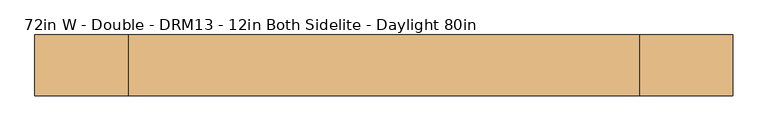
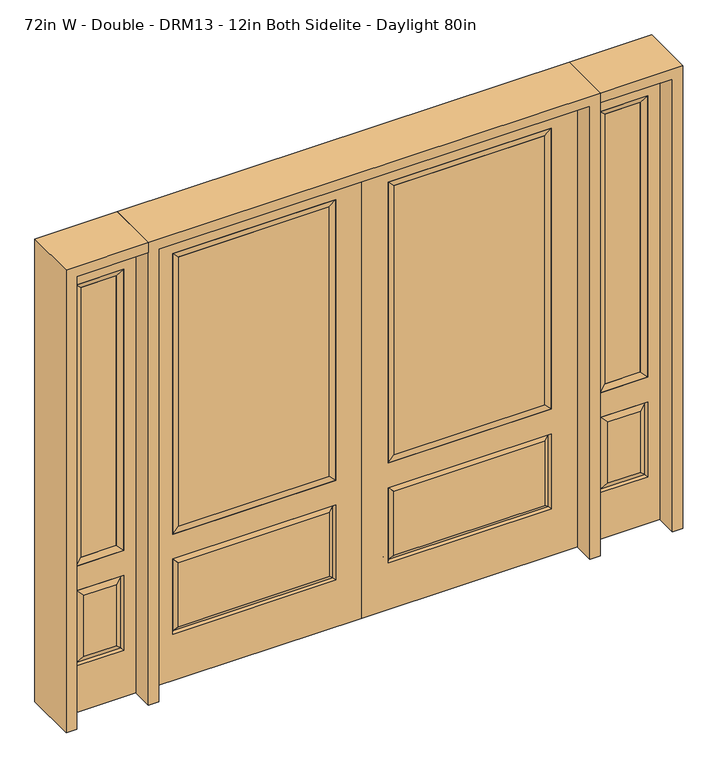
"""IFC4 building model written with IfcOpenShell, lengths in millimetres: door geometry, 72in W - Double - DRM13 - 12in Both Sidelite - Daylight 80in."""

import ifcopenshell
import ifcopenshell.guid

model = None  # the IFC model being written
_history = None  # IfcOwnerHistory: only IFC2X3 demands one
_inside = {}  # id of a spatial element -> (the spatial element, [elements in it])
_under = {}  # id of a project, library or spatial element -> (it, [spatial elements below it])
_declared = {}  # id of a project -> (the project, [libraries it declares])
_typed = {}  # id of a type object -> (the type object, [elements of that type])
_made_of = {}  # id of a material, layer set ... -> (it, [elements and type objects made of it])


def new_model(schema):
    """Start an empty IFC model of exactly this schema.

    Asked for "IFC4X3", IfcOpenShell would pick the latest addendum, in which some entities
    have other attributes; the version numbers below select the first issue.
    IFC2X3 requires an IfcOwnerHistory on every rooted entity: one is made here for all.
    """
    global model, _history
    if schema == "IFC4X3":
        model = ifcopenshell.file(schema_version=(4, 3, 0, 0))
    else:
        model = ifcopenshell.file(schema=schema)
    _inside.clear()
    _under.clear()
    _declared.clear()
    _typed.clear()
    _made_of.clear()
    _history = None
    if model.schema == "IFC2X3":
        org = make("IfcOrganization", Name="unknown")
        user = make(
            "IfcPersonAndOrganization",
            ThePerson=make("IfcPerson", FamilyName="unknown"),
            TheOrganization=org,
        )
        app = make(
            "IfcApplication",
            ApplicationDeveloper=org,
            Version="unknown",
            ApplicationFullName="unknown",
            ApplicationIdentifier="unknown",
        )
        _history = make(
            "IfcOwnerHistory",
            OwningUser=user,
            OwningApplication=app,
            ChangeAction="ADDED",
            CreationDate=0,
        )
    return model


def make(cls, **values):
    """One entity of the class cls with the attributes given. An attribute that is None is left unset."""
    return model.create_entity(
        cls, **{name: value for name, value in values.items() if value is not None}
    )


def rooted(cls, **values):
    """An entity with a GlobalId (a new one), such as an element, a storey or a relation."""
    return make(cls, GlobalId=ifcopenshell.guid.new(), OwnerHistory=_history, **values)


def si_unit(unit_type, name, prefix=None):
    """IfcSIUnit, for example si_unit("LENGTHUNIT", "METRE", prefix="MILLI")."""
    return make("IfcSIUnit", UnitType=unit_type, Prefix=prefix, Name=name)


def assignment(units):
    """IfcUnitAssignment: the units of a project."""
    return None if units is None else make("IfcUnitAssignment", Units=units)


def point(xyz):
    """IfcCartesianPoint."""
    return None if xyz is None else make("IfcCartesianPoint", Coordinates=xyz)


def direction(xyz):
    """IfcDirection."""
    return None if xyz is None else make("IfcDirection", DirectionRatios=xyz)


def frame(location, z_axis=None, x_axis=None):
    """IfcAxis2Placement3D, a coordinate frame: its origin and axes. An axis left out is left unset."""
    return make(
        "IfcAxis2Placement3D",
        Location=point(location),
        Axis=direction(z_axis),
        RefDirection=direction(x_axis),
    )


def origin():
    """The frame at (0, 0, 0) with its axes left unset."""
    return frame((0.0, 0.0, 0.0))


def place(relative_to, where):
    """IfcLocalPlacement: puts the frame where relative to a parent placement (None: the world)."""
    return make(
        "IfcLocalPlacement", PlacementRelTo=relative_to, RelativePlacement=where
    )


def context(
    kind, dimensions, precision=None, world=None, true_north=None, identifier=None
):
    """IfcGeometricRepresentationContext, for example the 3D "Model" context."""
    return make(
        "IfcGeometricRepresentationContext",
        ContextIdentifier=identifier,
        ContextType=kind,
        CoordinateSpaceDimension=dimensions,
        Precision=precision,
        WorldCoordinateSystem=world,
        TrueNorth=true_north,
    )


def project(units=None, contexts=None):
    """IfcProject with its units and contexts."""
    return rooted(
        "IfcProject",
        Name="project",
        RepresentationContexts=contexts,
        UnitsInContext=assignment(units),
    )


def spatial(cls, under=None, at=None, **own):
    """A site, building, storey or space (cls), placed at a placement, below another one or the project."""
    s = rooted(cls, ObjectPlacement=at, **own)
    if under is not None:
        _under.setdefault(under.id(), (under, []))[1].append(s)
    return s


def polyline(points):
    """IfcPolyline through the points."""
    return make("IfcPolyline", Points=[point(p) for p in points])


def outline(outer, holes=None, kind="AREA"):
    """IfcArbitraryClosedProfileDef: a profile drawn as a closed curve; with holes, ...WithVoids."""
    if holes is None:
        return make("IfcArbitraryClosedProfileDef", ProfileType=kind, OuterCurve=outer)
    return make(
        "IfcArbitraryProfileDefWithVoids",
        ProfileType=kind,
        OuterCurve=outer,
        InnerCurves=holes,
    )


def extrude(swept, where, along, depth):
    """IfcExtrudedAreaSolid: the profile swept, set in the frame where, extruded along a direction by depth."""
    return make(
        "IfcExtrudedAreaSolid",
        SweptArea=swept,
        Position=where,
        ExtrudedDirection=direction(along),
        Depth=depth,
    )


def faces_of(points, faces, orient=None, outer=None):
    """IfcFace entities. A face is a list of loops; a loop is a list of indices into points, from 0.

    orient and outer hold one flag for each loop. By default every Orientation is true, the
    first loop of a face is its IfcFaceOuterBound and the others are IfcFaceBound.
    """
    made = []
    for i, loops in enumerate(faces):
        bounds = []
        for j, loop in enumerate(loops):
            is_outer = j == 0 if outer is None else outer[i][j]
            bounds.append(
                make(
                    "IfcFaceOuterBound" if is_outer else "IfcFaceBound",
                    Bound=make("IfcPolyLoop", Polygon=[points[k] for k in loop]),
                    Orientation=True if orient is None else orient[i][j],
                )
            )
        made.append(make("IfcFace", Bounds=bounds))
    return made


def faceted_brep(points, faces, orient=None, outer=None, voids=None):
    """IfcFacetedBrep: a solid bounded by flat faces; with voids (closed shells), ...WithVoids."""
    shared = [point(p) for p in points]
    hull = make("IfcClosedShell", CfsFaces=faces_of(shared, faces, orient, outer))
    if voids is None:
        return make("IfcFacetedBrep", Outer=hull)
    return make(
        "IfcFacetedBrepWithVoids",
        Outer=hull,
        Voids=[
            make(cls, CfsFaces=faces_of(shared, fs, o, b)) for cls, fs, o, b in voids
        ],
    )


def shape(context_of_items, identifier, shape_type, items):
    """IfcShapeRepresentation: the items that make up one representation, for example the "Body"."""
    return make(
        "IfcShapeRepresentation",
        ContextOfItems=context_of_items,
        RepresentationIdentifier=identifier,
        RepresentationType=shape_type,
        Items=items,
    )


def source(mapping_origin, context_of_items, identifier, shape_type, items):
    """IfcRepresentationMap: a shape defined once, which mapped items show again and again."""
    return make(
        "IfcRepresentationMap",
        MappingOrigin=mapping_origin,
        MappedRepresentation=shape(context_of_items, identifier, shape_type, items),
    )


def transform(
    local_origin,
    x_axis=None,
    y_axis=None,
    z_axis=None,
    scale=None,
    scale2=None,
    scale3=None,
    uniform=True,
):
    """IfcCartesianTransformationOperator3D, or its non-uniform kind. x_axis, y_axis, z_axis: its Axis1, 2, 3."""
    if uniform:
        return make(
            "IfcCartesianTransformationOperator3D",
            Axis1=direction(x_axis),
            Axis2=direction(y_axis),
            LocalOrigin=point(local_origin),
            Scale=scale,
            Axis3=direction(z_axis),
        )
    return make(
        "IfcCartesianTransformationOperator3DnonUniform",
        Axis1=direction(x_axis),
        Axis2=direction(y_axis),
        LocalOrigin=point(local_origin),
        Scale=scale,
        Axis3=direction(z_axis),
        Scale2=scale2,
        Scale3=scale3,
    )


def mapped(mapping_source, mapping_target):
    """IfcMappedItem: shows the shape of a source again, moved by a transform."""
    return make(
        "IfcMappedItem", MappingSource=mapping_source, MappingTarget=mapping_target
    )


def made_of(thing, what):
    """Note that an element or type object is made of a material, layer set ...; save() writes the relation."""
    if what is not None:
        _made_of.setdefault(what.id(), (what, []))[1].append(thing)
    return thing


def element(
    cls,
    number,
    at=None,
    inside=None,
    cuts=None,
    type_object=None,
    material=None,
    context=None,
    identifier="Body",
    shape_type=None,
    held_by="IfcProductDefinitionShape",
    body=None,
    shapes=None,
    **own,
):
    """One element of the class cls, such as IfcWall. Its Tag is "e" and its number.

    at: its placement. inside: the storey or other place that contains it. cuts: it is an
    opening in that element (IfcRelVoidsElement). A single representation is given by context,
    identifier, shape_type and body (its items); several are given by shapes. held_by: the class
    of the entity that holds the representations. save() writes the other relations.
    """
    e = rooted(cls, Tag="e%d" % number, ObjectPlacement=at, **own)
    if body is not None:
        shapes = [shape(context, identifier, shape_type, body)]
    if shapes is not None:
        e.Representation = make(held_by, Representations=shapes)
    if inside is not None:
        _inside.setdefault(inside.id(), (inside, []))[1].append(e)
    if cuts is not None:
        rooted(
            "IfcRelVoidsElement", RelatingBuildingElement=cuts, RelatedOpeningElement=e
        )
    if type_object is not None:
        _typed.setdefault(type_object.id(), (type_object, []))[1].append(e)
    return made_of(e, material)


def aggregate(whole, parts):
    """IfcRelAggregates: a whole, such as a stair, and the parts it consists of."""
    return rooted("IfcRelAggregates", RelatingObject=whole, RelatedObjects=parts)


def save(model, path):
    """Write the relations noted so far, then the file.

    IfcRelAggregates (storeys below a building ...), IfcRelContainedInSpatialStructure (elements
    in a storey), IfcRelDefinesByType, IfcRelAssociatesMaterial and IfcRelDeclares: one each for
    every whole, place, type object, material and project.
    """
    for whole, parts in _under.values():
        aggregate(whole, parts)
    for where, things in _inside.values():
        rooted(
            "IfcRelContainedInSpatialStructure",
            RelatedElements=things,
            RelatingStructure=where,
        )
    for kind, things in _typed.values():
        rooted("IfcRelDefinesByType", RelatedObjects=things, RelatingType=kind)
    for what, things in _made_of.values():
        rooted("IfcRelAssociatesMaterial", RelatedObjects=things, RelatingMaterial=what)
    for by, libraries in _declared.values():
        rooted("IfcRelDeclares", RelatingContext=by, RelatedDefinitions=libraries)
    model.write(path)


def door_72in_w_double_drm13_12in_both_sidelite_daylight_80in_ee4b613d(model_context):
    return source(origin(), model_context, "Body", "SolidModel", [
        faceted_brep([(796.1661499, -12.7912373, 216.6588501), (778.66875, -22.225, 234.15625), (135.73125, -22.225, 234.15625), (118.2338501, -12.7912373, 216.6588501), (111.125, -22.225, 209.55), (803.275, -22.225, 209.55), (803.275, -22.225, 546.1), (796.1661499, -12.7912373, 538.9911499), (0.0, -22.225, 2032.0), (0.0, -22.225, 0.0), (914.4, -22.225, 0.0), (914.4, -22.225, 2032.0), (111.125, -22.225, 546.1), (111.125, -22.225, 1917.7), (803.275, -22.225, 1917.7), (803.275, -22.225, 657.098), (111.125, -22.225, 657.098), (778.66875, -22.225, 521.49375), (135.73125, -22.225, 521.49375), (118.2338501, -12.7912373, 538.9911499), (914.4, 22.225, 0.0), (914.4, 22.225, 2032.0), (0.0, 22.225, 0.0), (0.0, 22.225, 2032.0), (111.125, 22.225, 657.098), (111.125, 22.225, 1917.7), (803.275, 22.225, 657.098), (803.275, 22.225, 1917.7), (135.73125, 22.225, 234.15625), (135.73125, 22.225, 521.49375), (778.66875, 22.225, 521.49375), (778.66875, 22.225, 234.15625), (803.275, 22.225, 209.55), (803.275, 22.225, 546.1), (111.125, 22.225, 546.1), (111.125, 22.225, 209.55), (118.2338501, 12.7912373, 216.6588501), (796.1661499, 12.7912373, 216.6588501), (118.2338501, 12.7912373, 538.9911499), (796.1661499, 12.7912373, 538.9911499)], [[[0, 1, 2, 3]], [[3, 4, 5, 0]], [[5, 6, 7, 0]], [[8, 9, 10, 11], [4, 12, 6, 5], [13, 14, 15, 16]], [[1, 17, 18, 2]], [[3, 19, 12, 4]], [[2, 18, 19, 3]], [[0, 7, 17, 1]], [[6, 12, 19, 7]], [[7, 19, 18, 17]], [[10, 20, 21, 11]], [[9, 22, 20, 10]], [[8, 23, 22, 9]], [[16, 24, 25, 13]], [[15, 26, 24, 16]], [[14, 27, 26, 15]], [[28, 29, 30, 31]], [[23, 21, 20, 22], [25, 24, 26, 27], [32, 33, 34, 35]], [[32, 35, 36, 37]], [[35, 34, 38, 36]], [[39, 38, 34, 33]], [[37, 39, 33, 32]], [[36, 28, 31, 37]], [[31, 30, 39, 37]], [[30, 29, 38, 39]], [[36, 38, 29, 28]], [[11, 21, 23, 8]], [[13, 25, 27, 14]]]),
        faceted_brep([(803.275, -22.225, 1917.7), (803.275, -22.225, 657.098), (803.275, 22.225, 657.098), (803.275, 22.225, 1917.7), (111.125, -22.225, 657.098), (111.125, 22.225, 657.098), (136.525, 5.08, 682.498), (777.875, 5.08, 682.498), (111.125, -22.225, 1917.7), (111.125, 22.225, 1917.7), (777.875, -20.32, 682.498), (136.525, -20.32, 682.498), (777.875, -20.32, 1892.3), (136.525, -20.32, 1892.3), (777.875, 5.08, 1892.3), (136.525, 5.08, 1892.3)], [[[0, 1, 2, 3]], [[1, 4, 5, 2]], [[2, 5, 6, 7]], [[4, 8, 9, 5]], [[10, 11, 4, 1]], [[12, 10, 1, 0]], [[11, 13, 8, 4]], [[7, 6, 11, 10]], [[14, 7, 10, 12]], [[6, 15, 13, 11]], [[3, 2, 7, 14]], [[5, 9, 15, 6]], [[8, 0, 3, 9]], [[13, 12, 0, 8]], [[15, 14, 12, 13]], [[9, 3, 14, 15]]]),
        extrude(outline(polyline([(136.525, -20.32), (136.525, 5.08), (777.875, 5.08), (777.875, -20.32), (136.525, -20.32)])), frame((0.0, 0.0, 682.498), z_axis=(0.0, 0.0, 1.0), x_axis=(1.0, 0.0, 0.0)), (0.0, 0.0, 1.0), 1209.802),
        faceted_brep([(958.85, -22.225, 0.0), (1263.65, -22.225, 0.0), (1263.65, -22.225, 2032.0), (958.85, -22.225, 2032.0), (1211.58, -22.225, 1919.224), (1211.58, -22.225, 657.098), (1010.92, -22.225, 657.098), (1010.92, -22.225, 1919.224), (1211.58, -22.225, 209.55), (1010.92, -22.225, 209.55), (1010.92, -22.225, 546.1), (1211.58, -22.225, 546.1), (1042.6351001, -22.225, 241.2651001), (1179.8648999, -22.225, 241.2651001), (1179.8648999, -22.225, 514.3848999), (1042.6351001, -22.225, 514.3848999), (958.85, 22.225, 0.0), (958.85, 22.225, 2032.0), (1263.65, 22.225, 2032.0), (1263.65, 22.225, 0.0), (1211.58, 22.225, 1919.224), (1010.92, 22.225, 1919.224), (1010.92, 22.225, 657.098), (1211.58, 22.225, 657.098), (1010.92, 22.225, 209.55), (1211.58, 22.225, 209.55), (1211.58, 22.225, 546.1), (1010.92, 22.225, 546.1), (1179.8648999, 22.225, 241.2651001), (1042.6351001, 22.225, 241.2651001), (1042.6351001, 22.225, 514.3848999), (1179.8648999, 22.225, 514.3848999), (1204.4711499, 12.7912373, 216.6588501), (1018.0288501, 12.7912373, 216.6588501), (1018.0288501, 12.7912373, 538.9911499), (1204.4711499, 12.7912373, 538.9911499), (1018.0288501, -12.7912373, 216.6588501), (1204.4711499, -12.7912373, 216.6588501), (1018.0288501, -12.7912373, 538.9911499), (1204.4711499, -12.7912373, 538.9911499)], [[[0, 1, 2, 3], [4, 5, 6, 7], [8, 9, 10, 11]], [[12, 13, 14, 15]], [[16, 17, 18, 19], [20, 21, 22, 23], [24, 25, 26, 27]], [[28, 29, 30, 31]], [[1, 0, 16, 19]], [[2, 1, 19, 18]], [[3, 2, 18, 17]], [[0, 3, 17, 16]], [[5, 4, 20, 23]], [[6, 5, 23, 22]], [[7, 6, 22, 21]], [[4, 7, 21, 20]], [[32, 33, 29, 28]], [[33, 32, 25, 24]], [[29, 33, 34, 30]], [[33, 24, 27, 34]], [[30, 34, 35, 31]], [[34, 27, 26, 35]], [[32, 28, 31, 35]], [[25, 32, 35, 26]], [[12, 36, 37, 13]], [[37, 36, 9, 8]], [[36, 12, 15, 38]], [[9, 36, 38, 10]], [[38, 15, 14, 39]], [[10, 38, 39, 11]], [[13, 37, 39, 14]], [[37, 8, 11, 39]]]),
        faceted_brep([(1010.92, 22.225, 1919.224), (1010.92, -22.225, 1919.224), (1211.58, -22.225, 1919.224), (1211.58, 22.225, 1919.224), (1036.32, 12.7, 1893.824), (1186.18, 12.7, 1893.824), (1036.32, -12.7, 1893.824), (1186.18, -12.7, 1893.824), (1211.58, -22.225, 657.098), (1211.58, 22.225, 657.098), (1186.18, 12.7, 682.498), (1186.18, -12.7, 682.498), (1010.92, -22.225, 657.098), (1010.92, 22.225, 657.098), (1036.32, 12.7, 682.498), (1036.32, -12.7, 682.498)], [[[0, 1, 2, 3]], [[4, 0, 3, 5]], [[6, 4, 5, 7]], [[1, 6, 7, 2]], [[3, 2, 8, 9]], [[5, 3, 9, 10]], [[7, 5, 10, 11]], [[2, 7, 11, 8]], [[9, 8, 12, 13]], [[10, 9, 13, 14]], [[11, 10, 14, 15]], [[8, 11, 15, 12]], [[13, 12, 1, 0]], [[14, 13, 0, 4]], [[15, 14, 4, 6]], [[12, 15, 6, 1]]]),
        extrude(outline(polyline([(1186.18, -12.7), (1036.32, -12.7), (1036.32, 12.7), (1186.18, 12.7), (1186.18, -12.7)])), frame((0.0, 0.0, 682.498), z_axis=(0.0, 0.0, 1.0), x_axis=(1.0, 0.0, 0.0)), (0.0, 0.0, 1.0), 1211.326),
        faceted_brep([(-1263.65, -22.225, 0.0), (-958.85, -22.225, 0.0), (-958.85, -22.225, 2032.0), (-1263.65, -22.225, 2032.0), (-1010.92, -22.225, 1919.224), (-1010.92, -22.225, 657.098), (-1211.58, -22.225, 657.098), (-1211.58, -22.225, 1919.224), (-1010.92, -22.225, 209.55), (-1211.58, -22.225, 209.55), (-1211.58, -22.225, 546.1), (-1010.92, -22.225, 546.1), (-1179.8648999, -22.225, 241.2651001), (-1042.6351001, -22.225, 241.2651001), (-1042.6351001, -22.225, 514.3848999), (-1179.8648999, -22.225, 514.3848999), (-1263.65, 22.225, 0.0), (-1263.65, 22.225, 2032.0), (-958.85, 22.225, 2032.0), (-958.85, 22.225, 0.0), (-1010.92, 22.225, 1919.224), (-1211.58, 22.225, 1919.224), (-1211.58, 22.225, 657.098), (-1010.92, 22.225, 657.098), (-1211.58, 22.225, 209.55), (-1010.92, 22.225, 209.55), (-1010.92, 22.225, 546.1), (-1211.58, 22.225, 546.1), (-1042.6351001, 22.225, 241.2651001), (-1179.8648999, 22.225, 241.2651001), (-1179.8648999, 22.225, 514.3848999), (-1042.6351001, 22.225, 514.3848999), (-1018.0288501, 12.7912373, 216.6588501), (-1204.4711499, 12.7912373, 216.6588501), (-1204.4711499, 12.7912373, 538.9911499), (-1018.0288501, 12.7912373, 538.9911499), (-1204.4711499, -12.7912373, 216.6588501), (-1018.0288501, -12.7912373, 216.6588501), (-1204.4711499, -12.7912373, 538.9911499), (-1018.0288501, -12.7912373, 538.9911499)], [[[0, 1, 2, 3], [4, 5, 6, 7], [8, 9, 10, 11]], [[12, 13, 14, 15]], [[16, 17, 18, 19], [20, 21, 22, 23], [24, 25, 26, 27]], [[28, 29, 30, 31]], [[1, 0, 16, 19]], [[2, 1, 19, 18]], [[3, 2, 18, 17]], [[0, 3, 17, 16]], [[5, 4, 20, 23]], [[6, 5, 23, 22]], [[7, 6, 22, 21]], [[4, 7, 21, 20]], [[32, 33, 29, 28]], [[33, 32, 25, 24]], [[29, 33, 34, 30]], [[33, 24, 27, 34]], [[30, 34, 35, 31]], [[34, 27, 26, 35]], [[32, 28, 31, 35]], [[25, 32, 35, 26]], [[12, 36, 37, 13]], [[37, 36, 9, 8]], [[36, 12, 15, 38]], [[9, 36, 38, 10]], [[38, 15, 14, 39]], [[10, 38, 39, 11]], [[13, 37, 39, 14]], [[37, 8, 11, 39]]]),
        faceted_brep([(-1211.58, 22.225, 1919.224), (-1211.58, -22.225, 1919.224), (-1010.92, -22.225, 1919.224), (-1010.92, 22.225, 1919.224), (-1186.18, 12.7, 1893.824), (-1036.32, 12.7, 1893.824), (-1186.18, -12.7, 1893.824), (-1036.32, -12.7, 1893.824), (-1010.92, -22.225, 657.098), (-1010.92, 22.225, 657.098), (-1036.32, 12.7, 682.498), (-1036.32, -12.7, 682.498), (-1211.58, -22.225, 657.098), (-1211.58, 22.225, 657.098), (-1186.18, 12.7, 682.498), (-1186.18, -12.7, 682.498)], [[[0, 1, 2, 3]], [[4, 0, 3, 5]], [[6, 4, 5, 7]], [[1, 6, 7, 2]], [[3, 2, 8, 9]], [[5, 3, 9, 10]], [[7, 5, 10, 11]], [[2, 7, 11, 8]], [[9, 8, 12, 13]], [[10, 9, 13, 14]], [[11, 10, 14, 15]], [[8, 11, 15, 12]], [[13, 12, 1, 0]], [[14, 13, 0, 4]], [[15, 14, 4, 6]], [[12, 15, 6, 1]]]),
        extrude(outline(polyline([(-1036.32, -12.7), (-1186.18, -12.7), (-1186.18, 12.7), (-1036.32, 12.7), (-1036.32, -12.7)])), frame((0.0, 0.0, 682.498), z_axis=(0.0, 0.0, 1.0), x_axis=(1.0, 0.0, 0.0)), (0.0, 0.0, 1.0), 1211.326),
        faceted_brep([(-796.1661499, -12.7912373, 216.6588501), (-118.2338501, -12.7912373, 216.6588501), (-135.73125, -22.225, 234.15625), (-778.66875, -22.225, 234.15625), (-803.275, -22.225, 209.55), (-111.125, -22.225, 209.55), (-796.1661499, -12.7912373, 538.9911499), (-803.275, -22.225, 546.1), (-135.73125, -22.225, 521.49375), (-778.66875, -22.225, 521.49375), (0.0, -22.225, 2032.0), (-914.4, -22.225, 2032.0), (-914.4, -22.225, 0.0), (0.0, -22.225, 0.0), (-111.125, -22.225, 546.1), (-111.125, -22.225, 1917.7), (-111.125, -22.225, 657.098), (-803.275, -22.225, 657.098), (-803.275, -22.225, 1917.7), (-118.2338501, -12.7912373, 538.9911499), (-914.4, 22.225, 2032.0), (-914.4, 22.225, 0.0), (0.0, 22.225, 0.0), (0.0, 22.225, 2032.0), (-111.125, 22.225, 1917.7), (-111.125, 22.225, 657.098), (-803.275, 22.225, 657.098), (-803.275, 22.225, 1917.7), (-803.275, 22.225, 209.55), (-111.125, 22.225, 209.55), (-111.125, 22.225, 546.1), (-803.275, 22.225, 546.1), (-135.73125, 22.225, 234.15625), (-778.66875, 22.225, 234.15625), (-778.66875, 22.225, 521.49375), (-135.73125, 22.225, 521.49375), (-796.1661499, 12.7912373, 216.6588501), (-118.2338501, 12.7912373, 216.6588501), (-118.2338501, 12.7912373, 538.9911499), (-796.1661499, 12.7912373, 538.9911499)], [[[0, 1, 2, 3]], [[1, 0, 4, 5]], [[4, 0, 6, 7]], [[3, 2, 8, 9]], [[10, 11, 12, 13], [5, 4, 7, 14], [15, 16, 17, 18]], [[1, 5, 14, 19]], [[2, 1, 19, 8]], [[0, 3, 9, 6]], [[7, 6, 19, 14]], [[6, 9, 8, 19]], [[12, 11, 20, 21]], [[13, 12, 21, 22]], [[10, 13, 22, 23]], [[16, 15, 24, 25]], [[17, 16, 25, 26]], [[18, 17, 26, 27]], [[23, 22, 21, 20], [28, 29, 30, 31], [24, 27, 26, 25]], [[32, 33, 34, 35]], [[28, 36, 37, 29]], [[29, 37, 38, 30]], [[39, 31, 30, 38]], [[36, 28, 31, 39]], [[37, 36, 33, 32]], [[33, 36, 39, 34]], [[34, 39, 38, 35]], [[37, 32, 35, 38]], [[11, 10, 23, 20]], [[15, 18, 27, 24]]]),
        faceted_brep([(-803.275, -22.225, 1917.7), (-803.275, 22.225, 1917.7), (-803.275, 22.225, 657.098), (-803.275, -22.225, 657.098), (-111.125, 22.225, 657.098), (-111.125, -22.225, 657.098), (-777.875, 5.08, 682.498), (-136.525, 5.08, 682.498), (-111.125, 22.225, 1917.7), (-111.125, -22.225, 1917.7), (-777.875, -20.32, 682.498), (-136.525, -20.32, 682.498), (-777.875, -20.32, 1892.3), (-136.525, -20.32, 1892.3), (-777.875, 5.08, 1892.3), (-136.525, 5.08, 1892.3)], [[[0, 1, 2, 3]], [[3, 2, 4, 5]], [[2, 6, 7, 4]], [[5, 4, 8, 9]], [[10, 3, 5, 11]], [[12, 0, 3, 10]], [[11, 5, 9, 13]], [[6, 10, 11, 7]], [[14, 12, 10, 6]], [[7, 11, 13, 15]], [[1, 14, 6, 2]], [[4, 7, 15, 8]], [[9, 8, 1, 0]], [[13, 9, 0, 12]], [[15, 13, 12, 14]], [[8, 15, 14, 1]]]),
        extrude(outline(polyline([(-136.525, -20.32), (-777.875, -20.32), (-777.875, 5.08), (-136.525, 5.08), (-136.525, -20.32)])), frame((0.0, 0.0, 682.498), z_axis=(0.0, 0.0, 1.0), x_axis=(1.0, 0.0, 0.0)), (0.0, 0.0, 1.0), 1209.802),
        extrude(outline(polyline([(2032.0, -958.85), (2076.45, -958.85), (2076.45, -1308.1), (0.0, -1308.1), (0.0, -1263.65), (2032.0, -1263.65), (2032.0, -958.85)])), frame((0.0, -114.3, 0.0), z_axis=(0.0, 1.0, 0.0), x_axis=(0.0, 0.0, 1.0)), (0.0, 0.0, 1.0), 228.6),
        extrude(outline(polyline([(2076.45, -958.85), (0.0, -958.85), (0.0, -914.4), (2032.0, -914.4), (2032.0, 914.4), (0.0, 914.4), (0.0, 958.85), (2076.45, 958.85), (2076.45, -958.85)])), frame((0.0, -114.3, 0.0), z_axis=(0.0, 1.0, 0.0), x_axis=(0.0, 0.0, 1.0)), (0.0, 0.0, 1.0), 228.6),
        extrude(outline(polyline([(0.0, 1263.65), (0.0, 1308.1), (2076.45, 1308.1), (2076.45, 958.85), (2032.0, 958.85), (2032.0, 1263.65), (0.0, 1263.65)])), frame((0.0, -114.3, 0.0), z_axis=(0.0, 1.0, 0.0), x_axis=(0.0, 0.0, 1.0)), (0.0, 0.0, 1.0), 228.6),
    ])


if __name__ == "__main__":
    model = new_model("IFC4")
    model_context = context("Model", 3, world=origin())
    ifc_project = project(units=[si_unit("LENGTHUNIT", "METRE", prefix="MILLI")], contexts=[model_context])
    site = spatial("IfcSite", under=ifc_project)
    building = spatial("IfcBuilding", under=site)
    placement = place(None, origin())
    door_72in_w_double_drm13_12in_both_sidelite_daylight_80in_shape = door_72in_w_double_drm13_12in_both_sidelite_daylight_80in_ee4b613d(model_context)
    element("IfcDoor", 1, ObjectType="72in W - Double - DRM13 - 12in Both Sidelite - Daylight 80in", at=placement, inside=building, context=model_context, shape_type="MappedRepresentation", body=[
        mapped(door_72in_w_double_drm13_12in_both_sidelite_daylight_80in_shape, transform((0.0, 0.0, 0.0), x_axis=(1.0, 0.0, 0.0), y_axis=(0.0, 1.0, 0.0), z_axis=(0.0, 0.0, 1.0))),
    ])
    save(model, "model.ifc")
